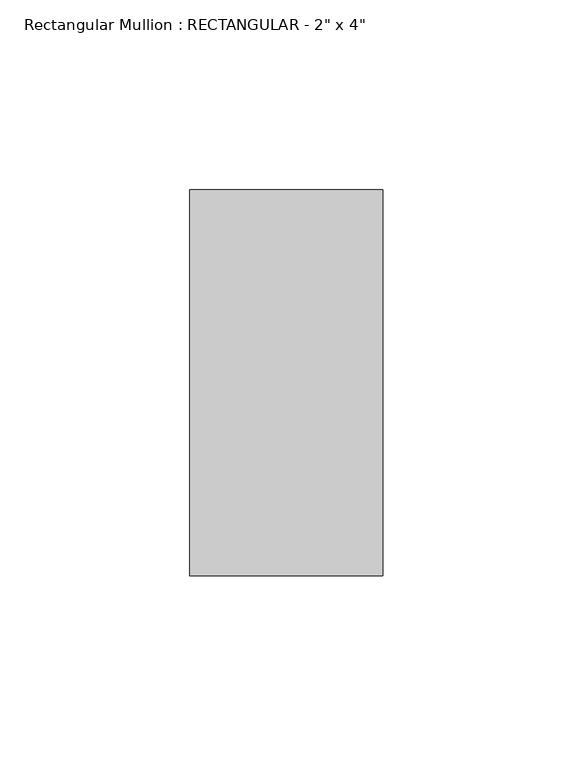
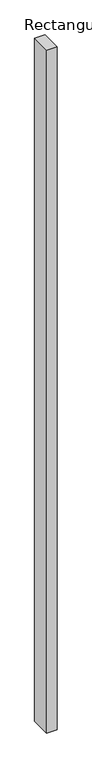
"""IFC4 building model written with IfcOpenShell, lengths in millimetres: member geometry."""

from ifc_helpers import new_model, si_unit, frame, origin, place, context, project, spatial, polyline, outline, extrude, source, transform, mapped, element, save


def member_f9636546(model_context):
    return source(origin(), model_context, "Body", "SweptSolid", [
        extrude(outline(polyline([(25.4, 50.8), (25.4, -50.8), (-25.4, -50.8), (-25.4, 50.8), (25.4, 50.8)])), frame((0.0, 0.0, -3556.0), z_axis=(0.0, 0.0, 1.0), x_axis=(1.0, 0.0, 0.0)), (0.0, 0.0, 1.0), 3556.0),
    ])


if __name__ == "__main__":
    model = new_model("IFC4")
    model_context = context("Model", 3, world=origin())
    ifc_project = project(units=[si_unit("LENGTHUNIT", "METRE", prefix="MILLI")], contexts=[model_context])
    site = spatial("IfcSite", under=ifc_project)
    building = spatial("IfcBuilding", under=site)
    placement = place(None, origin())
    member_shape = member_f9636546(model_context)
    element("IfcMember", 1, ObjectType="Rectangular Mullion : RECTANGULAR - 2\" x 4\"", at=placement, inside=building, context=model_context, shape_type="MappedRepresentation", body=[
        mapped(member_shape, transform((0.0, 0.0, 0.0), x_axis=(1.0, 0.0, 0.0), y_axis=(0.0, 1.0, 0.0), z_axis=(0.0, 0.0, 1.0))),
    ])
    save(model, "model.ifc")
